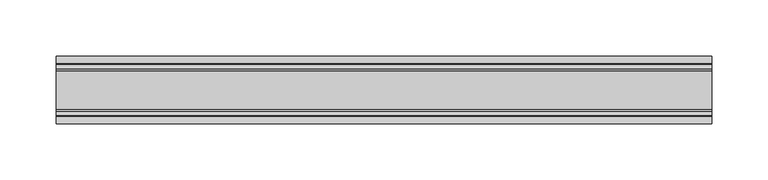
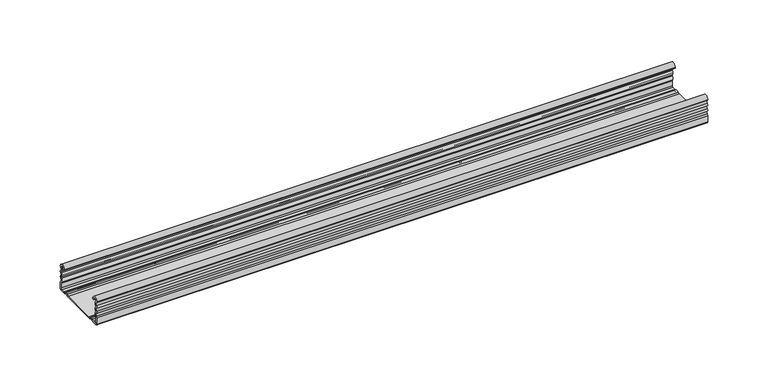
"""IFC4 building model written with IfcOpenShell, lengths in millimetres: proxy geometry."""

from ifc_helpers import new_model, si_unit, point, frame, frame_2d, origin, place, context, project, spatial, polyline, circle_curve, trimmed, segment, composite_curve, outline, extrude, source, transform, mapped, element, save


def generic_models_60befbbd(model_context):
    return source(origin(), model_context, "Body", "SweptSolid", [
        extrude(outline(composite_curve([segment(trimmed(circle_curve(frame_2d((30.75, 21.1911057)), 1.95), [point((29.424, 22.6208693))], [point((29.424, 19.7613421))], True, "CARTESIAN"), True, "CONTINUOUS"), segment(trimmed(circle_curve(frame_2d((28.2, 18.4415603)), 1.8), [point((29.424, 19.7613421))], [point((29.6853338, 17.4248088))], False, "CARTESIAN"), True, "CONTINUOUS"), segment(trimmed(circle_curve(frame_2d((30.75, 15.7911057)), 1.95), [point((29.6853338, 17.4248088))], [point((29.6853338, 14.1574026))], True, "CARTESIAN"), True, "CONTINUOUS"), segment(trimmed(circle_curve(frame_2d((28.2, 13.1406511)), 1.8), [point((29.6853338, 14.1574026))], [point((29.424, 11.8208693))], False, "CARTESIAN"), True, "CONTINUOUS"), segment(trimmed(circle_curve(frame_2d((30.75, 10.3911057)), 1.95), [point((29.424, 11.8208693))], [point((29.424, 8.9613421))], True, "CARTESIAN"), True, "CONTINUOUS"), segment(trimmed(circle_curve(frame_2d((28.2, 7.6415603)), 1.8), [point((29.424, 8.9613421))], [point((30.0, 7.6415603))], False, "CARTESIAN"), True, "CONTINUOUS"), segment(polyline([(30.0, 7.6415603), (30.0, 1.2)]), True, "CONTINUOUS"), segment(trimmed(circle_curve(frame_2d((28.8, 1.2)), 1.2), [point((30.0, 1.2))], [point((28.8, 0.0))], False, "CARTESIAN"), True, "CONTINUOUS"), segment(polyline([(28.8, 0.0), (23.4819519, 0.0)]), True, "CONTINUOUS"), segment(trimmed(circle_curve(frame_2d((23.4819519, 1.8)), 1.8), [point((23.4819519, 0.0))], [point((22.1621701, 0.576))], False, "CARTESIAN"), True, "CONTINUOUS"), segment(trimmed(circle_curve(frame_2d((20.7324065, -0.75)), 1.95), [point((22.1621701, 0.576))], [point((19.3026429, 0.576))], True, "CARTESIAN"), True, "CONTINUOUS"), segment(trimmed(circle_curve(frame_2d((17.9828611, 1.8)), 1.8), [point((19.3026429, 0.576))], [point((17.9828611, 0.0))], False, "CARTESIAN"), True, "CONTINUOUS"), segment(polyline([(17.9828611, 0.0), (-17.9828611, 0.0)]), True, "CONTINUOUS"), segment(trimmed(circle_curve(frame_2d((-17.9828611, 1.8)), 1.8), [point((-17.9828611, 0.0))], [point((-19.3026429, 0.576))], False, "CARTESIAN"), True, "CONTINUOUS"), segment(trimmed(circle_curve(frame_2d((-20.7324065, -0.75)), 1.95), [point((-19.3026429, 0.576))], [point((-22.1621701, 0.576))], True, "CARTESIAN"), True, "CONTINUOUS"), segment(trimmed(circle_curve(frame_2d((-23.4819519, 1.8)), 1.8), [point((-22.1621701, 0.576))], [point((-23.4819519, 0.0))], False, "CARTESIAN"), True, "CONTINUOUS"), segment(polyline([(-23.4819519, 0.0), (-28.8, 0.0)]), True, "CONTINUOUS"), segment(trimmed(circle_curve(frame_2d((-28.8, 1.2)), 1.2), [point((-28.8, 0.0))], [point((-30.0, 1.2))], False, "CARTESIAN"), True, "CONTINUOUS"), segment(polyline([(-30.0, 1.2), (-30.0, 7.6415603)]), True, "CONTINUOUS"), segment(trimmed(circle_curve(frame_2d((-28.2, 7.6415603)), 1.8), [point((-30.0, 7.6415603))], [point((-29.424, 8.9613421))], False, "CARTESIAN"), True, "CONTINUOUS"), segment(trimmed(circle_curve(frame_2d((-30.75, 10.3911057)), 1.95), [point((-29.424, 8.9613421))], [point((-29.424, 11.8208693))], True, "CARTESIAN"), True, "CONTINUOUS"), segment(trimmed(circle_curve(frame_2d((-28.2, 13.1406511)), 1.8), [point((-29.424, 11.8208693))], [point((-29.6853338, 14.1574026))], False, "CARTESIAN"), True, "CONTINUOUS"), segment(trimmed(circle_curve(frame_2d((-30.75, 15.7911057)), 1.95), [point((-29.6853338, 14.1574026))], [point((-29.6853338, 17.4248088))], True, "CARTESIAN"), True, "CONTINUOUS"), segment(trimmed(circle_curve(frame_2d((-28.2, 18.4415603)), 1.8), [point((-29.6853338, 17.4248088))], [point((-29.424, 19.7613421))], False, "CARTESIAN"), True, "CONTINUOUS"), segment(trimmed(circle_curve(frame_2d((-30.75, 21.1911057)), 1.95), [point((-29.424, 19.7613421))], [point((-29.424, 22.6208693))], True, "CARTESIAN"), True, "CONTINUOUS"), segment(trimmed(circle_curve(frame_2d((-28.2, 23.9406511)), 1.8), [point((-29.424, 22.6208693))], [point((-29.9990651, 23.8826448))], False, "CARTESIAN"), True, "CONTINUOUS"), segment(trimmed(circle_curve(frame_2d((-26.8817099, 23.8826448)), 3.1173552), [point((-29.9990651, 23.8826448))], [point((-23.7643548, 23.8826448))], False, "CARTESIAN"), True, "CONTINUOUS"), segment(polyline([(-23.7643548, 23.8826448), (-23.7643548, 23.0407729), (-24.9643548, 23.0407729), (-24.9643548, 23.8826448)]), True, "CONTINUOUS"), segment(trimmed(circle_curve(frame_2d((-26.8817099, 23.8826448)), 1.9173552), [point((-24.9643548, 23.8826448))], [point((-28.7514388, 24.3073386))], True, "CARTESIAN"), True, "CONTINUOUS"), segment(trimmed(circle_curve(frame_2d((-27.7762784, 24.0858388)), 1.0), [point((-28.7514388, 24.3073386))], [point((-28.4928378, 23.3883128))], True, "CARTESIAN"), True, "CONTINUOUS"), segment(trimmed(circle_curve(frame_2d((-30.75, 21.1911057)), 3.15), [point((-28.4928378, 23.3883128))], [point((-28.3578316, 19.1417081))], False, "CARTESIAN"), True, "CONTINUOUS"), segment(trimmed(circle_curve(frame_2d((-27.5984131, 18.4911057)), 1.0), [point((-28.3578316, 19.1417081))], [point((-28.3578316, 17.8405033))], True, "CARTESIAN"), True, "CONTINUOUS"), segment(trimmed(circle_curve(frame_2d((-30.75, 15.7911057)), 3.15), [point((-28.3578316, 17.8405033))], [point((-28.3578316, 13.7417081))], False, "CARTESIAN"), True, "CONTINUOUS"), segment(trimmed(circle_curve(frame_2d((-27.5984131, 13.0911057)), 1.0), [point((-28.3578316, 13.7417081))], [point((-28.3578316, 12.4405033))], True, "CARTESIAN"), True, "CONTINUOUS"), segment(trimmed(circle_curve(frame_2d((-30.75, 10.3911057)), 3.15), [point((-28.3578316, 12.4405033))], [point((-28.3339806, 8.3698808))], False, "CARTESIAN"), True, "CONTINUOUS"), segment(trimmed(circle_curve(frame_2d((-26.8, 7.0865634)), 2.0), [point((-28.3339806, 8.3698808))], [point((-28.8, 7.0865634))], True, "CARTESIAN"), True, "CONTINUOUS"), segment(polyline([(-28.8, 7.0865634), (-28.8, 2.4)]), True, "CONTINUOUS"), segment(trimmed(circle_curve(frame_2d((-27.6, 2.4)), 1.2), [point((-28.8, 2.4))], [point((-27.6, 1.2))], True, "CARTESIAN"), True, "CONTINUOUS"), segment(polyline([(-27.6, 1.2), (-24.382064, 1.2)]), True, "CONTINUOUS"), segment(trimmed(circle_curve(frame_2d((-24.382064, 4.2)), 3.0), [point((-24.382064, 1.2))], [point((-22.6017433, 1.7853659))], True, "CARTESIAN"), True, "CONTINUOUS"), segment(trimmed(circle_curve(frame_2d((-20.7324065, -0.75)), 3.15), [point((-22.6017433, 1.7853659))], [point((-18.8630697, 1.7853659))], False, "CARTESIAN"), True, "CONTINUOUS"), segment(trimmed(circle_curve(frame_2d((-17.082749, 4.2)), 3.0), [point((-18.8630697, 1.7853659))], [point((-17.082749, 1.2))], True, "CARTESIAN"), True, "CONTINUOUS"), segment(polyline([(-17.082749, 1.2), (17.082749, 1.2)]), True, "CONTINUOUS"), segment(trimmed(circle_curve(frame_2d((17.082749, 4.2)), 3.0), [point((17.082749, 1.2))], [point((18.8630697, 1.7853659))], True, "CARTESIAN"), True, "CONTINUOUS"), segment(trimmed(circle_curve(frame_2d((20.7324065, -0.75)), 3.15), [point((18.8630697, 1.7853659))], [point((22.6017433, 1.7853659))], False, "CARTESIAN"), True, "CONTINUOUS"), segment(trimmed(circle_curve(frame_2d((24.382064, 4.2)), 3.0), [point((22.6017433, 1.7853659))], [point((24.382064, 1.2))], True, "CARTESIAN"), True, "CONTINUOUS"), segment(polyline([(24.382064, 1.2), (27.6182196, 1.2)]), True, "CONTINUOUS"), segment(trimmed(circle_curve(frame_2d((27.6182196, 2.3817804)), 1.1817804), [point((27.6182196, 1.2))], [point((28.8, 2.3817804))], True, "CARTESIAN"), True, "CONTINUOUS"), segment(polyline([(28.8, 2.3817804), (28.8, 7.0865634)]), True, "CONTINUOUS"), segment(trimmed(circle_curve(frame_2d((26.8, 7.0865634)), 2.0), [point((28.8, 7.0865634))], [point((28.3339806, 8.3698808))], True, "CARTESIAN"), True, "CONTINUOUS"), segment(trimmed(circle_curve(frame_2d((30.75, 10.3911057)), 3.15), [point((28.3339806, 8.3698808))], [point((28.3578316, 12.4405033))], False, "CARTESIAN"), True, "CONTINUOUS"), segment(trimmed(circle_curve(frame_2d((27.5984131, 13.0911057)), 1.0), [point((28.3578316, 12.4405033))], [point((28.3578316, 13.7417081))], True, "CARTESIAN"), True, "CONTINUOUS"), segment(trimmed(circle_curve(frame_2d((30.75, 15.7911057)), 3.15), [point((28.3578316, 13.7417081))], [point((28.3578316, 17.8405033))], False, "CARTESIAN"), True, "CONTINUOUS"), segment(trimmed(circle_curve(frame_2d((27.5984131, 18.4911057)), 1.0), [point((28.3578316, 17.8405033))], [point((28.3578316, 19.1417081))], True, "CARTESIAN"), True, "CONTINUOUS"), segment(trimmed(circle_curve(frame_2d((30.75, 21.1911057)), 3.15), [point((28.3578316, 19.1417081))], [point((28.4928378, 23.3883128))], False, "CARTESIAN"), True, "CONTINUOUS"), segment(trimmed(circle_curve(frame_2d((27.7762784, 24.0858388)), 1.0), [point((28.4928378, 23.3883128))], [point((28.7514388, 24.3073386))], True, "CARTESIAN"), True, "CONTINUOUS"), segment(trimmed(circle_curve(frame_2d((26.8817099, 23.8826448)), 1.9173552), [point((28.7514388, 24.3073386))], [point((24.9643548, 23.8826448))], True, "CARTESIAN"), True, "CONTINUOUS"), segment(polyline([(24.9643548, 23.8826448), (24.9643548, 23.0407729), (23.7643548, 23.0407729), (23.7643548, 23.8826448)]), True, "CONTINUOUS"), segment(trimmed(circle_curve(frame_2d((26.8817099, 23.8826448)), 3.1173552), [point((23.7643548, 23.8826448))], [point((29.9990651, 23.8826448))], False, "CARTESIAN"), True, "CONTINUOUS"), segment(trimmed(circle_curve(frame_2d((28.2, 23.9406511)), 1.8), [point((29.9990651, 23.8826448))], [point((29.424, 22.6208693))], False, "CARTESIAN"), True, "CONTINUOUS")], self_intersect=False)), frame((-291.8046035, 0.0, 0.0), z_axis=(1.0, 0.0, 0.0), x_axis=(0.0, 1.0, 0.0)), (0.0, 0.0, 1.0), 583.6092071),
    ])


if __name__ == "__main__":
    model = new_model("IFC4")
    model_context = context("Model", 3, world=origin())
    ifc_project = project(units=[si_unit("LENGTHUNIT", "METRE", prefix="MILLI")], contexts=[model_context])
    site = spatial("IfcSite", under=ifc_project)
    building = spatial("IfcBuilding", under=site)
    placement = place(None, origin())
    generic_models_shape = generic_models_60befbbd(model_context)
    element("IfcBuildingElementProxy", 1, Name="Generic Models", at=placement, inside=building, context=model_context, shape_type="MappedRepresentation", body=[
        mapped(generic_models_shape, transform((0.0, 0.0, 0.0), x_axis=(1.0, 0.0, 0.0), y_axis=(0.0, 1.0, 0.0), z_axis=(0.0, 0.0, 1.0))),
    ])
    save(model, "model.ifc")
